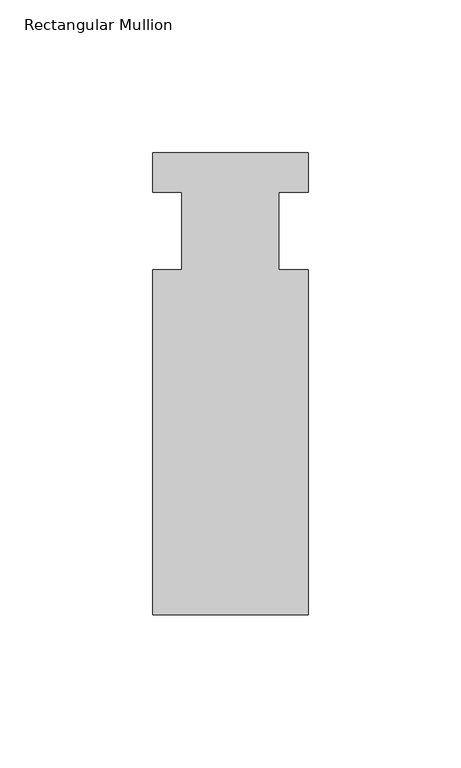
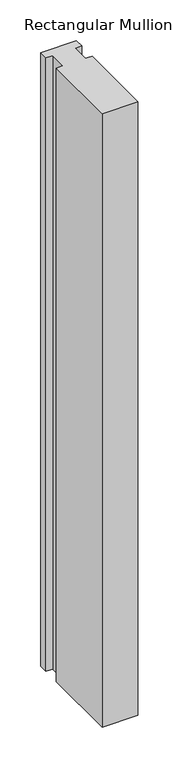
"""IFC4 building model written with IfcOpenShell, lengths in millimetres: member geometry, Rectangular Mullion."""

from ifc_helpers import new_model, si_unit, frame, origin, place, context, project, spatial, polyline, outline, extrude, source, transform, mapped, element, save


def rectangular_mullion_c60f1da8(model_context):
    return source(origin(), model_context, "Body", "SweptSolid", [
        extrude(outline(polyline([(-25.4, 25.58415), (25.4, 25.58415), (25.4, 12.7), (15.875, 12.7), (15.875, -12.7), (25.4, -12.7), (25.4, -125.59665), (-25.4, -125.59665), (-25.4, -12.7), (-15.875, -12.7), (-15.875, 12.7), (-25.4, 12.7), (-25.4, 25.58415)])), frame((0.0, 0.0, -920.75), z_axis=(0.0, 0.0, 1.0), x_axis=(1.0, 0.0, 0.0)), (0.0, 0.0, 1.0), 920.75),
    ])


if __name__ == "__main__":
    model = new_model("IFC4")
    model_context = context("Model", 3, world=origin())
    ifc_project = project(units=[si_unit("LENGTHUNIT", "METRE", prefix="MILLI")], contexts=[model_context])
    site = spatial("IfcSite", under=ifc_project)
    building = spatial("IfcBuilding", under=site)
    placement = place(None, origin())
    rectangular_mullion_shape = rectangular_mullion_c60f1da8(model_context)
    element("IfcMember", 1, ObjectType="Rectangular Mullion", at=placement, inside=building, context=model_context, shape_type="MappedRepresentation", body=[
        mapped(rectangular_mullion_shape, transform((0.0, 0.0, 0.0), x_axis=(1.0, 0.0, 0.0), y_axis=(0.0, 1.0, 0.0), z_axis=(0.0, 0.0, 1.0))),
    ])
    save(model, "model.ifc")
